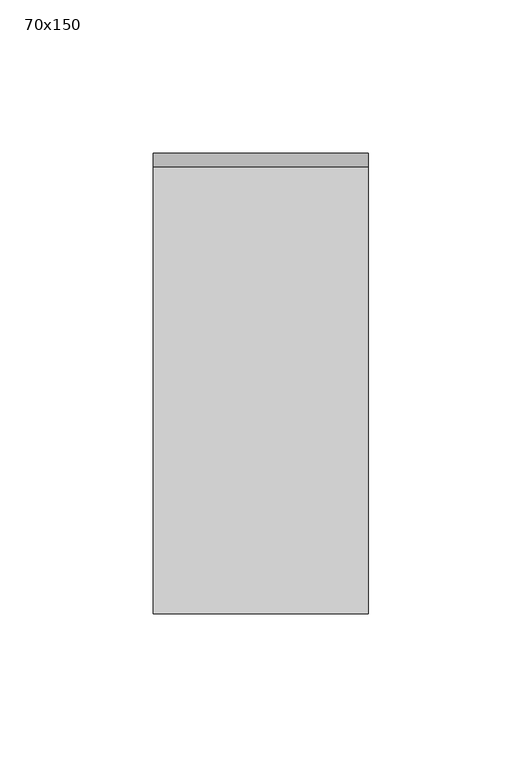
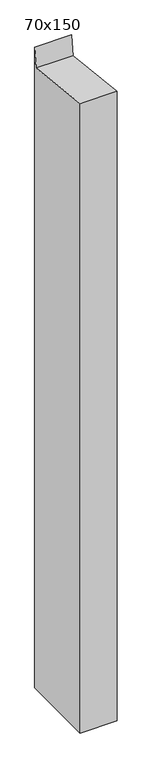
"""IFC4 building model written with IfcOpenShell, lengths in millimetres: member geometry, 70x150."""

from ifc_helpers import new_model, si_unit, frame, origin, place, context, project, spatial, polyline, outline, extrude, source, transform, mapped, element, save


def member_70x150_0eadbfe7(model_context):
    return source(origin(), model_context, "Body", "SweptSolid", [
        extrude(outline(polyline([(-75.0, 8.1977368), (70.6284068, -8.1465891), (75.0, 30.80443), (75.0, -1257.8857719), (-75.0, -1257.8857719), (-75.0, 8.1977368)])), frame((-70.0, 0.0, 0.0), z_axis=(1.0, 0.0, 0.0), x_axis=(0.0, 1.0, 0.0)), (0.0, 0.0, 1.0), 70.0),
    ])


if __name__ == "__main__":
    model = new_model("IFC4")
    model_context = context("Model", 3, world=origin())
    ifc_project = project(units=[si_unit("LENGTHUNIT", "METRE", prefix="MILLI")], contexts=[model_context])
    site = spatial("IfcSite", under=ifc_project)
    building = spatial("IfcBuilding", under=site)
    placement = place(None, origin())
    member_70x150_shape = member_70x150_0eadbfe7(model_context)
    element("IfcMember", 1, ObjectType="70x150", at=placement, inside=building, context=model_context, shape_type="MappedRepresentation", body=[
        mapped(member_70x150_shape, transform((0.0, 0.0, 0.0), x_axis=(1.0, 0.0, 0.0), y_axis=(0.0, 1.0, 0.0), z_axis=(0.0, 0.0, 1.0))),
    ])
    save(model, "model.ifc")
